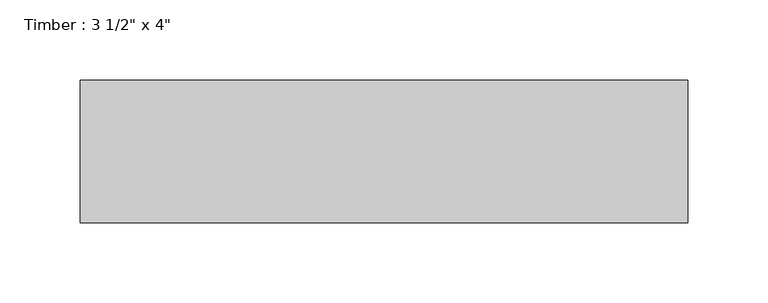
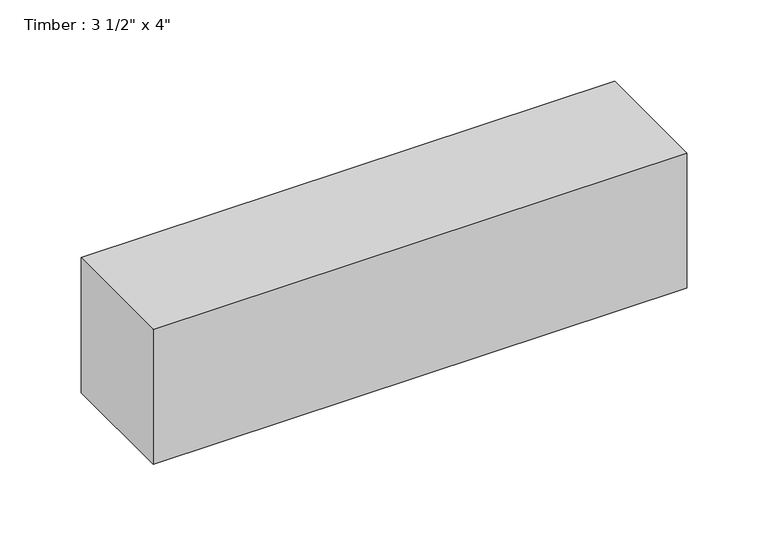
"""IFC4 building model written with IfcOpenShell, lengths in millimetres: beam geometry."""

from ifc_helpers import new_model, si_unit, frame, origin, place, context, project, spatial, polyline, outline, extrude, source, transform, mapped, element, save


def beam_65e8b0be(model_context):
    return source(origin(), model_context, "Body", "SweptSolid", [
        extrude(outline(polyline([(189.3769083, 44.45), (189.3769083, -44.45), (-189.5028776, -44.45), (-189.5028776, 44.45), (189.3769083, 44.45)])), frame((0.0, 0.0, -50.8), z_axis=(0.0, 0.0, 1.0), x_axis=(1.0, 0.0, 0.0)), (0.0, 0.0, 1.0), 101.6),
    ])


if __name__ == "__main__":
    model = new_model("IFC4")
    model_context = context("Model", 3, world=origin())
    ifc_project = project(units=[si_unit("LENGTHUNIT", "METRE", prefix="MILLI")], contexts=[model_context])
    site = spatial("IfcSite", under=ifc_project)
    building = spatial("IfcBuilding", under=site)
    placement = place(None, origin())
    beam_shape = beam_65e8b0be(model_context)
    element("IfcBeam", 1, ObjectType="Timber : 3 1/2\" x 4\"", at=placement, inside=building, context=model_context, shape_type="MappedRepresentation", body=[
        mapped(beam_shape, transform((0.0, 0.0, 0.0), x_axis=(1.0, 0.0, 0.0), y_axis=(0.0, 1.0, 0.0), z_axis=(0.0, 0.0, 1.0))),
    ])
    save(model, "model.ifc")
